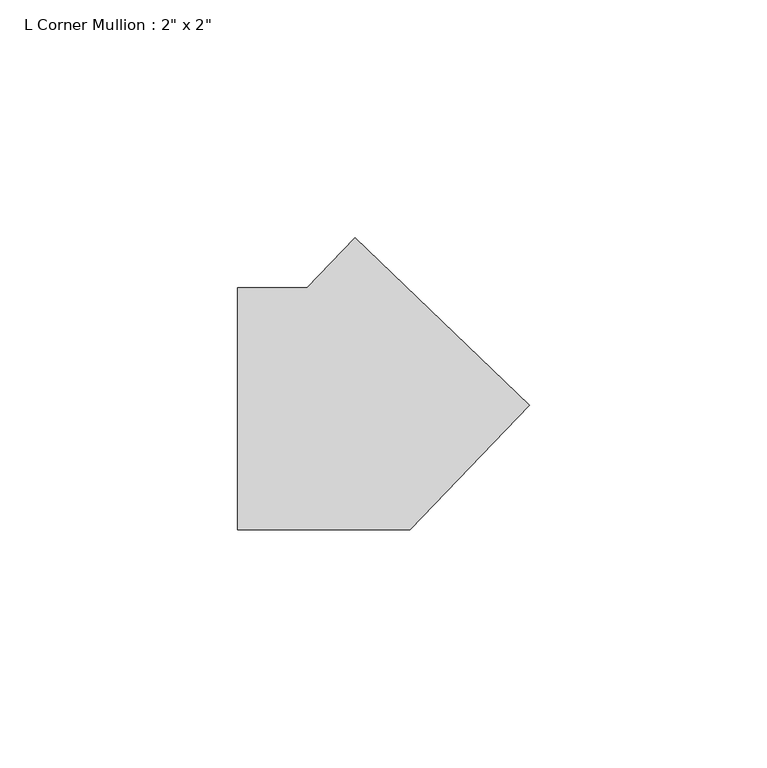
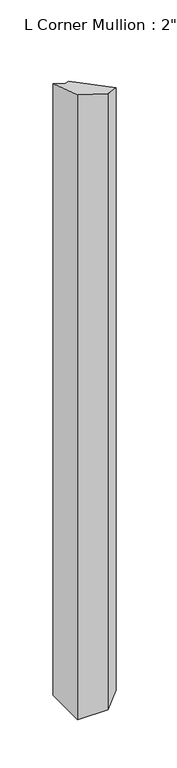
"""IFC4 building model written with IfcOpenShell, lengths in millimetres: member geometry."""

import ifcopenshell
import ifcopenshell.guid

model = None  # the IFC model being written
_history = None  # IfcOwnerHistory: only IFC2X3 demands one
_inside = {}  # id of a spatial element -> (the spatial element, [elements in it])
_under = {}  # id of a project, library or spatial element -> (it, [spatial elements below it])
_declared = {}  # id of a project -> (the project, [libraries it declares])
_typed = {}  # id of a type object -> (the type object, [elements of that type])
_made_of = {}  # id of a material, layer set ... -> (it, [elements and type objects made of it])


def new_model(schema):
    """Start an empty IFC model of exactly this schema.

    Asked for "IFC4X3", IfcOpenShell would pick the latest addendum, in which some entities
    have other attributes; the version numbers below select the first issue.
    IFC2X3 requires an IfcOwnerHistory on every rooted entity: one is made here for all.
    """
    global model, _history
    if schema == "IFC4X3":
        model = ifcopenshell.file(schema_version=(4, 3, 0, 0))
    else:
        model = ifcopenshell.file(schema=schema)
    _inside.clear()
    _under.clear()
    _declared.clear()
    _typed.clear()
    _made_of.clear()
    _history = None
    if model.schema == "IFC2X3":
        org = make("IfcOrganization", Name="unknown")
        user = make(
            "IfcPersonAndOrganization",
            ThePerson=make("IfcPerson", FamilyName="unknown"),
            TheOrganization=org,
        )
        app = make(
            "IfcApplication",
            ApplicationDeveloper=org,
            Version="unknown",
            ApplicationFullName="unknown",
            ApplicationIdentifier="unknown",
        )
        _history = make(
            "IfcOwnerHistory",
            OwningUser=user,
            OwningApplication=app,
            ChangeAction="ADDED",
            CreationDate=0,
        )
    return model


def make(cls, **values):
    """One entity of the class cls with the attributes given. An attribute that is None is left unset."""
    return model.create_entity(
        cls, **{name: value for name, value in values.items() if value is not None}
    )


def rooted(cls, **values):
    """An entity with a GlobalId (a new one), such as an element, a storey or a relation."""
    return make(cls, GlobalId=ifcopenshell.guid.new(), OwnerHistory=_history, **values)


def si_unit(unit_type, name, prefix=None):
    """IfcSIUnit, for example si_unit("LENGTHUNIT", "METRE", prefix="MILLI")."""
    return make("IfcSIUnit", UnitType=unit_type, Prefix=prefix, Name=name)


def assignment(units):
    """IfcUnitAssignment: the units of a project."""
    return None if units is None else make("IfcUnitAssignment", Units=units)


def point(xyz):
    """IfcCartesianPoint."""
    return None if xyz is None else make("IfcCartesianPoint", Coordinates=xyz)


def direction(xyz):
    """IfcDirection."""
    return None if xyz is None else make("IfcDirection", DirectionRatios=xyz)


def frame(location, z_axis=None, x_axis=None):
    """IfcAxis2Placement3D, a coordinate frame: its origin and axes. An axis left out is left unset."""
    return make(
        "IfcAxis2Placement3D",
        Location=point(location),
        Axis=direction(z_axis),
        RefDirection=direction(x_axis),
    )


def origin():
    """The frame at (0, 0, 0) with its axes left unset."""
    return frame((0.0, 0.0, 0.0))


def place(relative_to, where):
    """IfcLocalPlacement: puts the frame where relative to a parent placement (None: the world)."""
    return make(
        "IfcLocalPlacement", PlacementRelTo=relative_to, RelativePlacement=where
    )


def context(
    kind, dimensions, precision=None, world=None, true_north=None, identifier=None
):
    """IfcGeometricRepresentationContext, for example the 3D "Model" context."""
    return make(
        "IfcGeometricRepresentationContext",
        ContextIdentifier=identifier,
        ContextType=kind,
        CoordinateSpaceDimension=dimensions,
        Precision=precision,
        WorldCoordinateSystem=world,
        TrueNorth=true_north,
    )


def project(units=None, contexts=None):
    """IfcProject with its units and contexts."""
    return rooted(
        "IfcProject",
        Name="project",
        RepresentationContexts=contexts,
        UnitsInContext=assignment(units),
    )


def spatial(cls, under=None, at=None, **own):
    """A site, building, storey or space (cls), placed at a placement, below another one or the project."""
    s = rooted(cls, ObjectPlacement=at, **own)
    if under is not None:
        _under.setdefault(under.id(), (under, []))[1].append(s)
    return s


def faces_of(points, faces, orient=None, outer=None):
    """IfcFace entities. A face is a list of loops; a loop is a list of indices into points, from 0.

    orient and outer hold one flag for each loop. By default every Orientation is true, the
    first loop of a face is its IfcFaceOuterBound and the others are IfcFaceBound.
    """
    made = []
    for i, loops in enumerate(faces):
        bounds = []
        for j, loop in enumerate(loops):
            is_outer = j == 0 if outer is None else outer[i][j]
            bounds.append(
                make(
                    "IfcFaceOuterBound" if is_outer else "IfcFaceBound",
                    Bound=make("IfcPolyLoop", Polygon=[points[k] for k in loop]),
                    Orientation=True if orient is None else orient[i][j],
                )
            )
        made.append(make("IfcFace", Bounds=bounds))
    return made


def faceted_brep(points, faces, orient=None, outer=None, voids=None):
    """IfcFacetedBrep: a solid bounded by flat faces; with voids (closed shells), ...WithVoids."""
    shared = [point(p) for p in points]
    hull = make("IfcClosedShell", CfsFaces=faces_of(shared, faces, orient, outer))
    if voids is None:
        return make("IfcFacetedBrep", Outer=hull)
    return make(
        "IfcFacetedBrepWithVoids",
        Outer=hull,
        Voids=[
            make(cls, CfsFaces=faces_of(shared, fs, o, b)) for cls, fs, o, b in voids
        ],
    )


def shape(context_of_items, identifier, shape_type, items):
    """IfcShapeRepresentation: the items that make up one representation, for example the "Body"."""
    return make(
        "IfcShapeRepresentation",
        ContextOfItems=context_of_items,
        RepresentationIdentifier=identifier,
        RepresentationType=shape_type,
        Items=items,
    )


def source(mapping_origin, context_of_items, identifier, shape_type, items):
    """IfcRepresentationMap: a shape defined once, which mapped items show again and again."""
    return make(
        "IfcRepresentationMap",
        MappingOrigin=mapping_origin,
        MappedRepresentation=shape(context_of_items, identifier, shape_type, items),
    )


def transform(
    local_origin,
    x_axis=None,
    y_axis=None,
    z_axis=None,
    scale=None,
    scale2=None,
    scale3=None,
    uniform=True,
):
    """IfcCartesianTransformationOperator3D, or its non-uniform kind. x_axis, y_axis, z_axis: its Axis1, 2, 3."""
    if uniform:
        return make(
            "IfcCartesianTransformationOperator3D",
            Axis1=direction(x_axis),
            Axis2=direction(y_axis),
            LocalOrigin=point(local_origin),
            Scale=scale,
            Axis3=direction(z_axis),
        )
    return make(
        "IfcCartesianTransformationOperator3DnonUniform",
        Axis1=direction(x_axis),
        Axis2=direction(y_axis),
        LocalOrigin=point(local_origin),
        Scale=scale,
        Axis3=direction(z_axis),
        Scale2=scale2,
        Scale3=scale3,
    )


def mapped(mapping_source, mapping_target):
    """IfcMappedItem: shows the shape of a source again, moved by a transform."""
    return make(
        "IfcMappedItem", MappingSource=mapping_source, MappingTarget=mapping_target
    )


def made_of(thing, what):
    """Note that an element or type object is made of a material, layer set ...; save() writes the relation."""
    if what is not None:
        _made_of.setdefault(what.id(), (what, []))[1].append(thing)
    return thing


def element(
    cls,
    number,
    at=None,
    inside=None,
    cuts=None,
    type_object=None,
    material=None,
    context=None,
    identifier="Body",
    shape_type=None,
    held_by="IfcProductDefinitionShape",
    body=None,
    shapes=None,
    **own,
):
    """One element of the class cls, such as IfcWall. Its Tag is "e" and its number.

    at: its placement. inside: the storey or other place that contains it. cuts: it is an
    opening in that element (IfcRelVoidsElement). A single representation is given by context,
    identifier, shape_type and body (its items); several are given by shapes. held_by: the class
    of the entity that holds the representations. save() writes the other relations.
    """
    e = rooted(cls, Tag="e%d" % number, ObjectPlacement=at, **own)
    if body is not None:
        shapes = [shape(context, identifier, shape_type, body)]
    if shapes is not None:
        e.Representation = make(held_by, Representations=shapes)
    if inside is not None:
        _inside.setdefault(inside.id(), (inside, []))[1].append(e)
    if cuts is not None:
        rooted(
            "IfcRelVoidsElement", RelatingBuildingElement=cuts, RelatedOpeningElement=e
        )
    if type_object is not None:
        _typed.setdefault(type_object.id(), (type_object, []))[1].append(e)
    return made_of(e, material)


def aggregate(whole, parts):
    """IfcRelAggregates: a whole, such as a stair, and the parts it consists of."""
    return rooted("IfcRelAggregates", RelatingObject=whole, RelatedObjects=parts)


def save(model, path):
    """Write the relations noted so far, then the file.

    IfcRelAggregates (storeys below a building ...), IfcRelContainedInSpatialStructure (elements
    in a storey), IfcRelDefinesByType, IfcRelAssociatesMaterial and IfcRelDeclares: one each for
    every whole, place, type object, material and project.
    """
    for whole, parts in _under.values():
        aggregate(whole, parts)
    for where, things in _inside.values():
        rooted(
            "IfcRelContainedInSpatialStructure",
            RelatedElements=things,
            RelatingStructure=where,
        )
    for kind, things in _typed.values():
        rooted("IfcRelDefinesByType", RelatedObjects=things, RelatingType=kind)
    for what, things in _made_of.values():
        rooted("IfcRelAssociatesMaterial", RelatedObjects=things, RelatingMaterial=what)
    for by, libraries in _declared.values():
        rooted("IfcRelDeclares", RelatingContext=by, RelatedDefinitions=libraries)
    model.write(path)


def member_083e72dd(model_context):
    return source(origin(), model_context, "Body", "Brep", [
        faceted_brep([(-0.7440862, 35.913317, -11.9084592), (35.913317, 0.7440862, -11.9084592), (35.913317, 0.7440862, -774.3876419), (-0.7440862, 35.913317, -774.3876419), (-10.8305964, 25.4, -5.0777841), (-10.8305964, 25.4, -774.3876419), (-25.4, 25.4, -0.3488551), (-25.4, 25.4, -774.3876419), (-25.4, -25.4, 16.837491), (-25.4, -25.4, -774.3876419), (10.8305964, -25.4, 5.0777841), (10.8305964, -25.4, -774.3876419)], [[[0, 1, 2, 3]], [[4, 0, 3, 5]], [[6, 4, 5, 7]], [[8, 6, 7, 9]], [[10, 8, 9, 11]], [[1, 10, 11, 2]], [[1, 0, 4, 6, 8, 10]], [[2, 11, 9, 7, 5, 3]]]),
    ])


if __name__ == "__main__":
    model = new_model("IFC4")
    model_context = context("Model", 3, world=origin())
    ifc_project = project(units=[si_unit("LENGTHUNIT", "METRE", prefix="MILLI")], contexts=[model_context])
    site = spatial("IfcSite", under=ifc_project)
    building = spatial("IfcBuilding", under=site)
    placement = place(None, origin())
    member_shape = member_083e72dd(model_context)
    element("IfcMember", 1, ObjectType="L Corner Mullion : 2\" x 2\"", at=placement, inside=building, context=model_context, shape_type="MappedRepresentation", body=[
        mapped(member_shape, transform((0.0, 0.0, 0.0), x_axis=(1.0, 0.0, 0.0), y_axis=(0.0, 1.0, 0.0), z_axis=(0.0, 0.0, 1.0))),
    ])
    save(model, "model.ifc")
